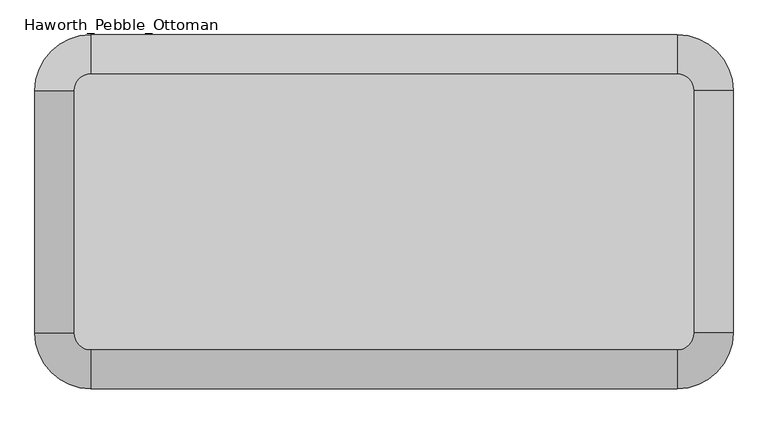
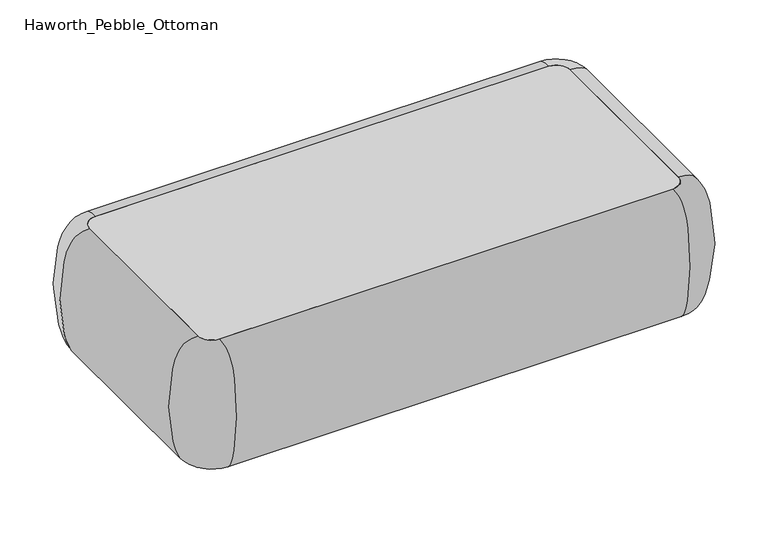
"""IFC4 building model written with IfcOpenShell, lengths in millimetres: furniture geometry, Haworth_Pebble_Ottoman."""

from ifc_helpers import new_model, si_unit, point, frame, frame_2d, origin, origin_with_axes, place, context, project, spatial, polyline, circle_curve, trimmed, segment, composite_curve, outline, extrude, source, transform, mapped, element, save
from ifc_brep_helpers import plane_surface, revolved_surface, extruded_surface, spline_curve, advanced_brep


def haworth_pebble_ottoman_418b7056(model_context):
    return source(origin(), model_context, "Body", "SolidModel", [
        advanced_brep(
        [(-697.1855515, -102.1266005, 431.4267645), (-655.5136765, -60.4547255, 431.4267645), (-655.5136765, -60.4547255, 15.9000004), (-697.1855515, -102.1266005, 15.9000004), (-697.1855515, -693.1152987, 15.9000004), (-697.1855515, -693.1152987, 431.4267645), (773.8161859, -60.4547255, 431.4267645), (773.8161859, -60.4547255, 15.9000004), (-655.5136765, -734.7871737, 431.4267645), (-655.5136765, -734.7871737, 15.9000004), (773.8161859, -734.7871737, 15.9000004), (773.8161859, -734.7871737, 431.4267645), (815.4880609, -693.1152987, 431.4267645), (815.4880609, -693.1152987, 15.9000004), (815.4880609, -102.1266005, 15.9000004), (815.4880609, -102.1266005, 431.4267645)],
        [
            (0, 1, circle_curve(frame((-655.5136765, -102.1266005, 431.4267645), z_axis=(0.0, 0.0, -1.0), x_axis=(0.0, 1.0, 0.0)), 41.671875)),
            (1, 2, spline_curve(3, [(-655.5136765, -60.4547255, 431.4267645), (-655.5136765, -20.499156081, 431.4267645), (-655.5136765, -9.422817746, 418.111325992), (-655.5136765, 12.141986687, 387.074624676), (-655.5136765, 16.778281603, 372.805576067), (-655.5136765, 27.813707351, 318.739710756), (-655.5136765, 34.317735124, 272.461148795), (-655.5136765, 33.975120077, 183.217431721), (-655.5136765, 26.56487399, 140.468636482), (-655.5136765, 14.838127972, 86.422119583), (-655.5136765, 10.2884604, 69.442528942), (-655.5136765, -4.541050123, 40.550023909), (-655.5136765, -12.54840989, 28.736458982), (-655.5136765, -60.4547255, 15.9000004)], [4, 2, 2, 2, 2, 2, 4], [0.0, 0.14234338208612818, 0.3844442925433662, 0.7007195720884005, 1.0300826792167348, 1.2544468815012602, 1.4077182079104207])),
            (2, 3, circle_curve(frame((-655.5136765, -102.1266005, 15.9000004), z_axis=(0.0, 0.0, 1.0), x_axis=(0.0, 1.0, 0.0)), 41.671875)),
            (3, 0, spline_curve(3, [(-697.1855515, -102.1266005, 15.9000004), (-745.09186711, -102.1266005, 28.736458982), (-753.099226877, -102.1266005, 40.550023909), (-767.9287374, -102.1266005, 69.442528942), (-772.478404972, -102.1266005, 86.422119583), (-784.20515099, -102.1266005, 140.468636482), (-791.615397077, -102.1266005, 183.217431721), (-791.958012124, -102.1266005, 272.461148795), (-785.453984351, -102.1266005, 318.739710756), (-774.418558603, -102.1266005, 372.805576067), (-769.782263687, -102.1266005, 387.074624676), (-748.217459254, -102.1266005, 418.111325992), (-737.141120919, -102.1266005, 431.4267645), (-697.1855515, -102.1266005, 431.4267645)], [4, 2, 2, 2, 2, 2, 4], [0.0, 0.15327132640916052, 0.3776355286936859, 0.7069986358220202, 1.0232739153670545, 1.2653748258242925, 1.4077182079104207])),
            (2, 1),
            (0, 3),
            (3, 4),
            (4, 5, spline_curve(3, [(-697.1855515, -693.1152987, 15.9000004), (-745.09186711, -693.1152987, 28.736458982), (-753.099226877, -693.1152987, 40.550023909), (-767.9287374, -693.1152987, 69.442528942), (-772.478404972, -693.1152987, 86.422119583), (-784.20515099, -693.1152987, 140.468636482), (-791.615397077, -693.1152987, 183.217431721), (-791.958012124, -693.1152987, 272.461148795), (-785.453984351, -693.1152987, 318.739710756), (-774.418558603, -693.1152987, 372.805576067), (-769.782263687, -693.1152987, 387.074624676), (-748.217459254, -693.1152987, 418.111325992), (-737.141120919, -693.1152987, 431.4267645), (-697.1855515, -693.1152987, 431.4267645)], [4, 2, 2, 2, 2, 2, 4], [0.0, 0.15327132640916052, 0.3776355286936859, 0.7069986358220202, 1.0232739153670545, 1.2653748258242925, 1.4077182079104207])),
            (5, 0),
            (5, 4),
            (6, 7, spline_curve(3, [(773.8161859, -60.4547255, 431.4267645), (773.8161859, -20.499156081, 431.4267645), (773.8161859, -9.422817746, 418.111325992), (773.8161859, 12.141986687, 387.074624676), (773.8161859, 16.778281603, 372.805576067), (773.8161859, 27.813707351, 318.739710756), (773.8161859, 34.317735124, 272.461148795), (773.8161859, 33.975120077, 183.217431721), (773.8161859, 26.56487399, 140.468636482), (773.8161859, 14.838127972, 86.422119583), (773.8161859, 10.2884604, 69.442528942), (773.8161859, -4.541050123, 40.550023909), (773.8161859, -12.54840989, 28.736458982), (773.8161859, -60.4547255, 15.9000004)], [4, 2, 2, 2, 2, 2, 4], [0.0, 0.14234338208612818, 0.3844442925433662, 0.7007195720884005, 1.0300826792167348, 1.2544468815012602, 1.4077182079104207])),
            (7, 2),
            (1, 6),
            (7, 6),
            (8, 5, circle_curve(frame((-655.5136765, -693.1152987, 431.4267645), z_axis=(0.0, 0.0, -1.0), x_axis=(-1.0, 0.0, 0.0)), 41.671875)),
            (4, 9, circle_curve(frame((-655.5136765, -693.1152987, 15.9000004), z_axis=(0.0, 0.0, 1.0), x_axis=(-1.0, 0.0, 0.0)), 41.671875)),
            (9, 8, spline_curve(3, [(-655.5136765, -734.7871737, 15.9000004), (-655.5136765, -782.69348931, 28.736458982), (-655.5136765, -790.700849077, 40.550023909), (-655.5136765, -805.5303596, 69.442528942), (-655.5136765, -810.080027172, 86.422119583), (-655.5136765, -821.80677319, 140.468636482), (-655.5136765, -829.217019277, 183.217431721), (-655.5136765, -829.559634324, 272.461148795), (-655.5136765, -823.055606651, 318.739710756), (-655.5136765, -812.020180903, 372.805576067), (-655.5136765, -807.383885887, 387.074624676), (-655.5136765, -785.819081454, 418.111325992), (-655.5136765, -774.742743119, 431.4267645), (-655.5136765, -734.7871737, 431.4267645)], [4, 2, 2, 2, 2, 2, 4], [0.0, 0.15327132640916052, 0.3776355286936859, 0.7069986358220202, 1.0232739153670545, 1.2653748258242925, 1.4077182079104207])),
            (8, 9),
            (9, 10),
            (10, 11, spline_curve(3, [(773.8161859, -734.7871737, 15.9000004), (773.8161859, -782.69348931, 28.736458982), (773.8161859, -790.700849077, 40.550023909), (773.8161859, -805.5303596, 69.442528942), (773.8161859, -810.080027172, 86.422119583), (773.8161859, -821.80677319, 140.468636482), (773.8161859, -829.217019277, 183.217431721), (773.8161859, -829.559634324, 272.461148795), (773.8161859, -823.055606651, 318.739710756), (773.8161859, -812.020180903, 372.805576067), (773.8161859, -807.383885887, 387.074624676), (773.8161859, -785.819081454, 418.111325992), (773.8161859, -774.742743119, 431.4267645), (773.8161859, -734.7871737, 431.4267645)], [4, 2, 2, 2, 2, 2, 4], [0.0, 0.15327132640916052, 0.3776355286936859, 0.7069986358220202, 1.0232739153670545, 1.2653748258242925, 1.4077182079104207])),
            (11, 8),
            (11, 10),
            (12, 11, circle_curve(frame((773.8161859, -693.1152987, 431.4267645), z_axis=(0.0, 0.0, -1.0), x_axis=(0.0, -1.0, 0.0)), 41.671875)),
            (10, 13, circle_curve(frame((773.8161859, -693.1152987, 15.9000004), z_axis=(0.0, 0.0, 1.0), x_axis=(0.0, -1.0, 0.0)), 41.671875)),
            (13, 12, spline_curve(3, [(815.4880609, -693.1152987, 15.9000004), (863.39437651, -693.1152987, 28.736458982), (871.401736277, -693.1152987, 40.550023909), (886.2312468, -693.1152987, 69.442528942), (890.780914372, -693.1152987, 86.422119583), (902.50766039, -693.1152987, 140.468636482), (909.917906477, -693.1152987, 183.217431721), (910.260521524, -693.1152987, 272.461148795), (903.756493751, -693.1152987, 318.739710756), (892.721068003, -693.1152987, 372.805576067), (888.084773087, -693.1152987, 387.074624676), (866.519968654, -693.1152987, 418.111325992), (855.443630319, -693.1152987, 431.4267645), (815.4880609, -693.1152987, 431.4267645)], [4, 2, 2, 2, 2, 2, 4], [0.0, 0.15327132640916052, 0.3776355286936859, 0.7069986358220202, 1.0232739153670545, 1.2653748258242925, 1.4077182079104207])),
            (12, 13),
            (13, 14),
            (14, 15, spline_curve(3, [(815.4880609, -102.1266005, 15.9000004), (863.39437651, -102.1266005, 28.736458982), (871.401736277, -102.1266005, 40.550023909), (886.2312468, -102.1266005, 69.442528942), (890.780914372, -102.1266005, 86.422119583), (902.50766039, -102.1266005, 140.468636482), (909.917906477, -102.1266005, 183.217431721), (910.260521524, -102.1266005, 272.461148795), (903.756493751, -102.1266005, 318.739710756), (892.721068003, -102.1266005, 372.805576067), (888.084773087, -102.1266005, 387.074624676), (866.519968654, -102.1266005, 418.111325992), (855.443630319, -102.1266005, 431.4267645), (815.4880609, -102.1266005, 431.4267645)], [4, 2, 2, 2, 2, 2, 4], [0.0, 0.15327132640916052, 0.3776355286936859, 0.7069986358220202, 1.0232739153670545, 1.2653748258242925, 1.4077182079104207])),
            (15, 12),
            (15, 14),
            (6, 15, circle_curve(frame((773.8161859, -102.1266005, 431.4267645), z_axis=(0.0, 0.0, -1.0), x_axis=(1.0, 0.0, 0.0)), 41.671875)),
            (14, 7, circle_curve(frame((773.8161859, -102.1266005, 15.9000004), z_axis=(0.0, 0.0, 1.0), x_axis=(1.0, 0.0, 0.0)), 41.671875)),
        ],
        [
            revolved_surface(spline_curve(3, [(-655.5136765, -60.4547255, 15.9000004), (-655.5136765, -12.54840989, 28.736458982), (-655.5136765, -4.541050123, 40.550023909), (-655.5136765, 10.2884604, 69.442528942), (-655.5136765, 14.838127972, 86.422119583), (-655.5136765, 26.56487399, 140.468636482), (-655.5136765, 33.975120077, 183.217431721), (-655.5136765, 34.317735124, 272.461148795), (-655.5136765, 27.813707351, 318.739710756), (-655.5136765, 16.778281603, 372.805576067), (-655.5136765, 12.141986687, 387.074624676), (-655.5136765, -9.422817746, 418.111325992), (-655.5136765, -20.499156081, 431.4267645), (-655.5136765, -60.4547255, 431.4267645)], [4, 2, 2, 2, 2, 2, 4], [0.0, 0.15327132640916052, 0.3776355286936859, 0.7069986358220202, 1.0232739153670545, 1.2653748258242925, 1.4077182079104207]), (-655.5136765, -102.1266005, 584.2), (0.0, 0.0, 1.0)),
            revolved_surface(polyline([(-655.5136765, -60.454725499999995, 431.4267645), (-655.5136765, -60.454725499999995, 15.900000399999954)]), (-655.5136765, -102.1266005, 584.2), (0.0, 0.0, 1.0)),
            extruded_surface(spline_curve(3, [(-697.1855515, -693.1152987, 15.9000004), (-745.09186711, -693.1152987, 28.736458982), (-753.099226877, -693.1152987, 40.550023909), (-767.9287374, -693.1152987, 69.442528942), (-772.478404972, -693.1152987, 86.422119583), (-784.20515099, -693.1152987, 140.468636482), (-791.615397077, -693.1152987, 183.217431721), (-791.958012124, -693.1152987, 272.461148795), (-785.453984351, -693.1152987, 318.739710756), (-774.418558603, -693.1152987, 372.805576067), (-769.782263687, -693.1152987, 387.074624676), (-748.217459254, -693.1152987, 418.111325992), (-737.141120919, -693.1152987, 431.4267645), (-697.1855515, -693.1152987, 431.4267645)], [4, 2, 2, 2, 2, 2, 4], [0.0, 0.15327132640916052, 0.3776355286936859, 0.7069986358220202, 1.0232739153670545, 1.2653748258242925, 1.4077182079104207]), (0.0, 590.9886982, 0.0), 590.9886982),
            plane_surface(frame((-697.1855515, -102.1266005, 431.4267645), z_axis=(1.0, 0.0, 0.0), x_axis=(0.0, -1.0, 0.0))),
            extruded_surface(spline_curve(3, [(-655.5136765, -60.4547255, 15.9000004), (-655.5136765, -12.54840989, 28.736458982), (-655.5136765, -4.541050123, 40.550023909), (-655.5136765, 10.2884604, 69.442528942), (-655.5136765, 14.838127972, 86.422119583), (-655.5136765, 26.56487399, 140.468636482), (-655.5136765, 33.975120077, 183.217431721), (-655.5136765, 34.317735124, 272.461148795), (-655.5136765, 27.813707351, 318.739710756), (-655.5136765, 16.778281603, 372.805576067), (-655.5136765, 12.141986687, 387.074624676), (-655.5136765, -9.422817746, 418.111325992), (-655.5136765, -20.499156081, 431.4267645), (-655.5136765, -60.4547255, 431.4267645)], [4, 2, 2, 2, 2, 2, 4], [0.0, 0.15327132640916052, 0.3776355286936859, 0.7069986358220202, 1.0232739153670545, 1.2653748258242925, 1.4077182079104207]), (1429.3298624, 0.0, 0.0), 1429.3298624),
            plane_surface(frame((773.8161859, -60.4547255, 431.4267645), z_axis=(0.0, -1.0, 0.0), x_axis=(-1.0, 0.0, 0.0))),
            revolved_surface(spline_curve(3, [(-697.1855515, -693.1152987, 15.9000004), (-745.09186711, -693.1152987, 28.736458982), (-753.099226877, -693.1152987, 40.550023909), (-767.9287374, -693.1152987, 69.442528942), (-772.478404972, -693.1152987, 86.422119583), (-784.20515099, -693.1152987, 140.468636482), (-791.615397077, -693.1152987, 183.217431721), (-791.958012124, -693.1152987, 272.461148795), (-785.453984351, -693.1152987, 318.739710756), (-774.418558603, -693.1152987, 372.805576067), (-769.782263687, -693.1152987, 387.074624676), (-748.217459254, -693.1152987, 418.111325992), (-737.141120919, -693.1152987, 431.4267645), (-697.1855515, -693.1152987, 431.4267645)], [4, 2, 2, 2, 2, 2, 4], [0.0, 0.15327132640916052, 0.3776355286936859, 0.7069986358220202, 1.0232739153670545, 1.2653748258242925, 1.4077182079104207]), (-655.5136765, -693.1152987, 584.2), (0.0, 0.0, 1.0)),
            revolved_surface(polyline([(-697.1855515, -693.1152987, 431.4267645), (-697.1855515, -693.1152987, 15.900000399999954)]), (-655.5136765, -693.1152987, 584.2), (0.0, 0.0, 1.0)),
            extruded_surface(spline_curve(3, [(773.8161859, -734.7871737, 15.9000004), (773.8161859, -782.69348931, 28.736458982), (773.8161859, -790.700849077, 40.550023909), (773.8161859, -805.5303596, 69.442528942), (773.8161859, -810.080027172, 86.422119583), (773.8161859, -821.80677319, 140.468636482), (773.8161859, -829.217019277, 183.217431721), (773.8161859, -829.559634324, 272.461148795), (773.8161859, -823.055606651, 318.739710756), (773.8161859, -812.020180903, 372.805576067), (773.8161859, -807.383885887, 387.074624676), (773.8161859, -785.819081454, 418.111325992), (773.8161859, -774.742743119, 431.4267645), (773.8161859, -734.7871737, 431.4267645)], [4, 2, 2, 2, 2, 2, 4], [0.0, 0.15327132640916052, 0.3776355286936859, 0.7069986358220202, 1.0232739153670545, 1.2653748258242925, 1.4077182079104207]), (-1429.3298624, 0.0, 0.0), 1429.3298624),
            plane_surface(frame((-655.5136765, -734.7871737, 431.4267645), z_axis=(0.0, 1.0, 0.0), x_axis=(1.0, 0.0, 0.0))),
            revolved_surface(spline_curve(3, [(773.8161859, -734.7871737, 15.9000004), (773.8161859, -782.69348931, 28.736458982), (773.8161859, -790.700849077, 40.550023909), (773.8161859, -805.5303596, 69.442528942), (773.8161859, -810.080027172, 86.422119583), (773.8161859, -821.80677319, 140.468636482), (773.8161859, -829.217019277, 183.217431721), (773.8161859, -829.559634324, 272.461148795), (773.8161859, -823.055606651, 318.739710756), (773.8161859, -812.020180903, 372.805576067), (773.8161859, -807.383885887, 387.074624676), (773.8161859, -785.819081454, 418.111325992), (773.8161859, -774.742743119, 431.4267645), (773.8161859, -734.7871737, 431.4267645)], [4, 2, 2, 2, 2, 2, 4], [0.0, 0.15327132640916052, 0.3776355286936859, 0.7069986358220202, 1.0232739153670545, 1.2653748258242925, 1.4077182079104207]), (773.8161859, -693.1152987, 584.2), (0.0, 0.0, 1.0)),
            revolved_surface(polyline([(773.8161859, -734.7871737, 431.4267645), (773.8161859, -734.7871737, 15.900000399999954)]), (773.8161859, -693.1152987, 584.2), (0.0, 0.0, 1.0)),
            extruded_surface(spline_curve(3, [(815.4880609, -102.1266005, 15.9000004), (863.39437651, -102.1266005, 28.736458982), (871.401736277, -102.1266005, 40.550023909), (886.2312468, -102.1266005, 69.442528942), (890.780914372, -102.1266005, 86.422119583), (902.50766039, -102.1266005, 140.468636482), (909.917906477, -102.1266005, 183.217431721), (910.260521524, -102.1266005, 272.461148795), (903.756493751, -102.1266005, 318.739710756), (892.721068003, -102.1266005, 372.805576067), (888.084773087, -102.1266005, 387.074624676), (866.519968654, -102.1266005, 418.111325992), (855.443630319, -102.1266005, 431.4267645), (815.4880609, -102.1266005, 431.4267645)], [4, 2, 2, 2, 2, 2, 4], [0.0, 0.15327132640916052, 0.3776355286936859, 0.7069986358220202, 1.0232739153670545, 1.2653748258242925, 1.4077182079104207]), (0.0, -590.9886982, 0.0), 590.9886982),
            plane_surface(frame((815.4880609, -693.1152987, 431.4267645), z_axis=(-1.0, 0.0, 0.0), x_axis=(0.0, 1.0, 0.0))),
            revolved_surface(spline_curve(3, [(815.4880609, -102.1266005, 15.9000004), (863.39437651, -102.1266005, 28.736458982), (871.401736277, -102.1266005, 40.550023909), (886.2312468, -102.1266005, 69.442528942), (890.780914372, -102.1266005, 86.422119583), (902.50766039, -102.1266005, 140.468636482), (909.917906477, -102.1266005, 183.217431721), (910.260521524, -102.1266005, 272.461148795), (903.756493751, -102.1266005, 318.739710756), (892.721068003, -102.1266005, 372.805576067), (888.084773087, -102.1266005, 387.074624676), (866.519968654, -102.1266005, 418.111325992), (855.443630319, -102.1266005, 431.4267645), (815.4880609, -102.1266005, 431.4267645)], [4, 2, 2, 2, 2, 2, 4], [0.0, 0.15327132640916052, 0.3776355286936859, 0.7069986358220202, 1.0232739153670545, 1.2653748258242925, 1.4077182079104207]), (773.8161859, -102.1266005, 584.2), (0.0, 0.0, 1.0)),
            revolved_surface(polyline([(815.4880609, -102.1266005, 431.4267645), (815.4880609, -102.1266005, 15.900000399999954)]), (773.8161859, -102.1266005, 584.2), (0.0, 0.0, 1.0)),
        ],
        [
            (0, [[1, 2, 3, 4]]),
            (1, [[-3, 5, -1, 6]]),
            (2, [[-4, 7, 8, 9]]),
            (3, [[-6, -9, 10, -7]]),
            (4, [[11, 12, -2, 13]]),
            (5, [[14, -13, -5, -12]]),
            (6, [[15, -8, 16, 17]]),
            (7, [[-16, -10, -15, 18]]),
            (8, [[-17, 19, 20, 21]]),
            (9, [[-18, -21, 22, -19]]),
            (10, [[23, -20, 24, 25]]),
            (11, [[-24, -22, -23, 26]]),
            (12, [[-25, 27, 28, 29]]),
            (13, [[-26, -29, 30, -27]]),
            (14, [[31, -28, 32, -11]]),
            (15, [[-32, -30, -31, -14]]),
        ],
    ),
        extrude(outline(composite_curve([segment(trimmed(circle_curve(frame_2d((752.8887547, -672.2584496)), 30.1625), [point((722.7262547, -672.2584496))], [point((783.0512547, -672.2584496))], False, "CARTESIAN"), True, "CONTINUOUS"), segment(trimmed(circle_curve(frame_2d((752.8887547, -672.2584496)), 30.1625), [point((783.0512547, -672.2584496))], [point((722.7262547, -672.2584496))], False, "CARTESIAN"), True, "CONTINUOUS")], self_intersect=False)), origin_with_axes(), (0.0, 0.0, 1.0), 15.9000004),
        extrude(outline(composite_curve([segment(trimmed(circle_curve(frame_2d((-634.5862453, -672.2584496)), 30.1625), [point((-604.4237453, -672.2584496))], [point((-664.7487453, -672.2584496))], False, "CARTESIAN"), True, "CONTINUOUS"), segment(trimmed(circle_curve(frame_2d((-634.5862453, -672.2584496)), 30.1625), [point((-664.7487453, -672.2584496))], [point((-604.4237453, -672.2584496))], False, "CARTESIAN"), True, "CONTINUOUS")], self_intersect=False)), origin_with_axes(), (0.0, 0.0, 1.0), 15.9000004),
        extrude(outline(composite_curve([segment(trimmed(circle_curve(frame_2d((752.8887547, -122.9834496)), 30.1625), [point((722.7262547, -122.9834496))], [point((783.0512547, -122.9834496))], False, "CARTESIAN"), True, "CONTINUOUS"), segment(trimmed(circle_curve(frame_2d((752.8887547, -122.9834496)), 30.1625), [point((783.0512547, -122.9834496))], [point((722.7262547, -122.9834496))], False, "CARTESIAN"), True, "CONTINUOUS")], self_intersect=False)), origin_with_axes(), (0.0, 0.0, 1.0), 15.9000004),
        extrude(outline(composite_curve([segment(trimmed(circle_curve(frame_2d((-634.5862453, -122.9834496)), 30.1625), [point((-604.4237453, -122.9834496))], [point((-664.7487453, -122.9834496))], False, "CARTESIAN"), True, "CONTINUOUS"), segment(trimmed(circle_curve(frame_2d((-634.5862453, -122.9834496)), 30.1625), [point((-664.7487453, -122.9834496))], [point((-604.4237453, -122.9834496))], False, "CARTESIAN"), True, "CONTINUOUS")], self_intersect=False)), origin_with_axes(), (0.0, 0.0, 1.0), 15.9000004),
        extrude(outline(composite_curve([segment(trimmed(circle_curve(frame_2d((-655.4607906, -102.133709)), 41.671875), [point((-697.1326656, -102.133709))], [point((-655.4607906, -60.461834))], False, "CARTESIAN"), True, "CONTINUOUS"), segment(polyline([(-655.4607906, -60.461834), (773.7633, -60.461834)]), True, "CONTINUOUS"), segment(trimmed(circle_curve(frame_2d((773.7633, -102.133709)), 41.671875), [point((773.7633, -60.461834))], [point((815.435175, -102.133709))], False, "CARTESIAN"), True, "CONTINUOUS"), segment(polyline([(815.435175, -102.133709), (815.435175, -693.1081902)]), True, "CONTINUOUS"), segment(trimmed(circle_curve(frame_2d((773.7633, -693.1081902)), 41.671875), [point((815.435175, -693.1081902))], [point((773.7633, -734.7800652))], False, "CARTESIAN"), True, "CONTINUOUS"), segment(polyline([(773.7633, -734.7800652), (-655.4607906, -734.7800652)]), True, "CONTINUOUS"), segment(trimmed(circle_curve(frame_2d((-655.4607906, -693.1081902)), 41.671875), [point((-655.4607906, -734.7800652))], [point((-697.1326656, -693.1081902))], False, "CARTESIAN"), True, "CONTINUOUS"), segment(polyline([(-697.1326656, -693.1081902), (-697.1326656, -102.133709)]), True, "CONTINUOUS")], self_intersect=False)), frame((0.0, 0.0, 15.9000004), z_axis=(0.0, 0.0, 1.0), x_axis=(1.0, 0.0, 0.0)), (0.0, 0.0, 1.0), 415.8999996),
        extrude(outline(composite_curve([segment(trimmed(circle_curve(frame_2d((-655.5941351, -101.9755598)), 41.671875), [point((-697.2660101, -101.9755598))], [point((-655.5941351, -60.3036848))], False, "CARTESIAN"), True, "CONTINUOUS"), segment(polyline([(-655.5941351, -60.3036848), (773.8966445, -60.3036848)]), True, "CONTINUOUS"), segment(trimmed(circle_curve(frame_2d((773.8966445, -101.9755598)), 41.671875), [point((773.8966445, -60.3036848))], [point((815.5685195, -101.9755598))], False, "CARTESIAN"), True, "CONTINUOUS"), segment(polyline([(815.5685195, -101.9755598), (815.5685195, -693.2663394)]), True, "CONTINUOUS"), segment(trimmed(circle_curve(frame_2d((773.8966445, -693.2663394)), 41.671875), [point((815.5685195, -693.2663394))], [point((773.8966445, -734.9382144))], False, "CARTESIAN"), True, "CONTINUOUS"), segment(polyline([(773.8966445, -734.9382144), (-655.5941351, -734.9382144)]), True, "CONTINUOUS"), segment(trimmed(circle_curve(frame_2d((-655.5941351, -693.2663394)), 41.671875), [point((-655.5941351, -734.9382144))], [point((-697.2660101, -693.2663394))], False, "CARTESIAN"), True, "CONTINUOUS"), segment(polyline([(-697.2660101, -693.2663394), (-697.2660101, -101.9755598)]), True, "CONTINUOUS")], self_intersect=False)), frame((0.0, 0.0, 15.9000004), z_axis=(0.0, 0.0, 1.0), x_axis=(1.0, 0.0, 0.0)), (0.0, 0.0, 1.0), 415.8999996),
    ])


if __name__ == "__main__":
    model = new_model("IFC4")
    model_context = context("Model", 3, world=origin())
    ifc_project = project(units=[si_unit("LENGTHUNIT", "METRE", prefix="MILLI")], contexts=[model_context])
    site = spatial("IfcSite", under=ifc_project)
    building = spatial("IfcBuilding", under=site)
    placement = place(None, origin())
    haworth_pebble_ottoman_shape = haworth_pebble_ottoman_418b7056(model_context)
    element("IfcFurniture", 1, ObjectType="Haworth_Pebble_Ottoman", at=placement, inside=building, context=model_context, shape_type="MappedRepresentation", body=[
        mapped(haworth_pebble_ottoman_shape, transform((0.0, 0.0, 0.0), x_axis=(1.0, 0.0, 0.0), y_axis=(0.0, 1.0, 0.0), z_axis=(0.0, 0.0, 1.0))),
    ])
    save(model, "model.ifc")
